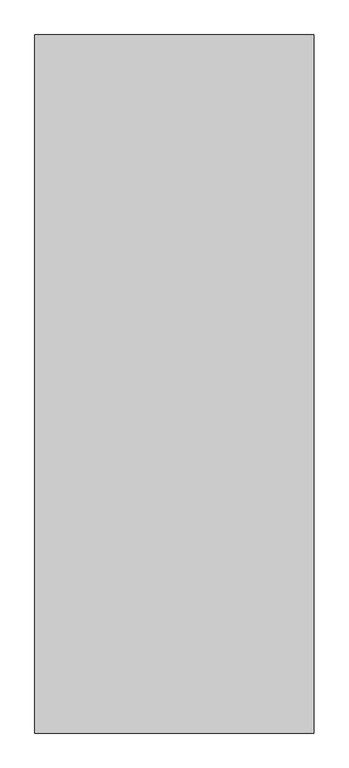
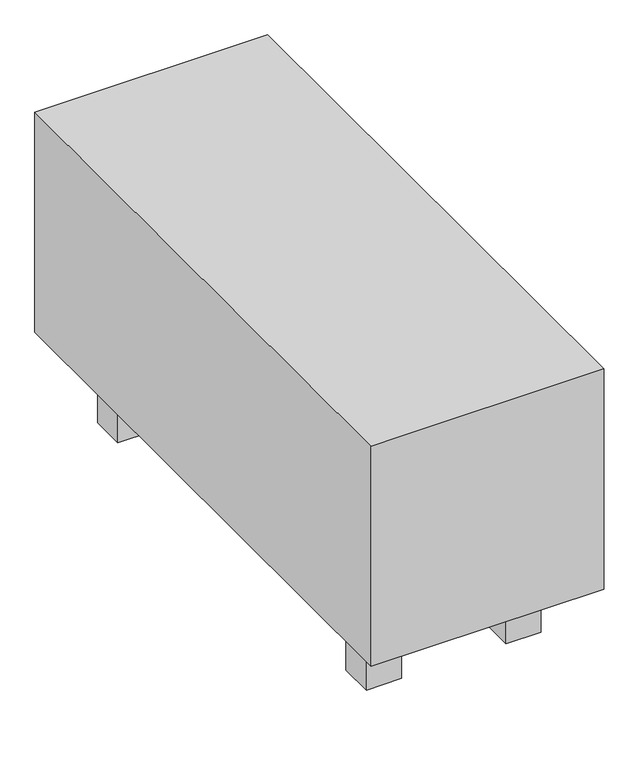
"""IFC4 building model written with IfcOpenShell, lengths in millimetres: proxy geometry."""

from ifc_helpers import new_model, si_unit, frame, origin, place, context, project, spatial, polyline, outline, extrude, source, transform, mapped, element, save


def mechanical_equipment_a851a3ab(model_context):
    return source(origin(), model_context, "Body", "SweptSolid", [
        extrude(outline(polyline([(13796.3955952, -35702.6148653), (13796.3955952, -35642.6148653), (13856.3955952, -35642.6148653), (13856.3955952, -35702.6148653), (13796.3955952, -35702.6148653)])), frame((0.0, 0.0, -165.9981047), z_axis=(0.0, 0.0, 1.0), x_axis=(1.0, 0.0, 0.0)), (0.0, 0.0, 1.0), 120.9981047),
        extrude(outline(polyline([(13616.3955952, -35702.6148653), (13556.3955952, -35702.6148653), (13556.3955952, -35642.6148653), (13616.3955952, -35642.6148653), (13616.3955952, -35702.6148653)])), frame((0.0, 0.0, -165.9981047), z_axis=(0.0, 0.0, 1.0), x_axis=(1.0, 0.0, 0.0)), (0.0, 0.0, 1.0), 120.9981047),
        extrude(outline(polyline([(13796.3955952, -34902.6148653), (13856.3955952, -34902.6148653), (13856.3955952, -34962.6148653), (13796.3955952, -34962.6148653), (13796.3955952, -34902.6148653)])), frame((0.0, 0.0, -165.9981047), z_axis=(0.0, 0.0, 1.0), x_axis=(1.0, 0.0, 0.0)), (0.0, 0.0, 1.0), 120.9981047),
        extrude(outline(polyline([(13616.3955952, -34902.6148653), (13616.3955952, -34962.6148653), (13556.3955952, -34962.6148653), (13556.3955952, -34902.6148653), (13616.3955952, -34902.6148653)])), frame((0.0, 0.0, -165.9981047), z_axis=(0.0, 0.0, 1.0), x_axis=(1.0, 0.0, 0.0)), (0.0, 0.0, 1.0), 120.9981047),
        extrude(outline(polyline([(13506.3955952, -34802.6148653), (13906.3955952, -34802.6148653), (13906.3955952, -35802.6148653), (13506.3955952, -35802.6148653), (13506.3955952, -34802.6148653)])), frame((0.0, 0.0, -45.0), z_axis=(0.0, 0.0, 1.0), x_axis=(1.0, 0.0, 0.0)), (0.0, 0.0, 1.0), 400.0),
    ])


if __name__ == "__main__":
    model = new_model("IFC4")
    model_context = context("Model", 3, world=origin())
    ifc_project = project(units=[si_unit("LENGTHUNIT", "METRE", prefix="MILLI")], contexts=[model_context])
    site = spatial("IfcSite", under=ifc_project)
    building = spatial("IfcBuilding", under=site)
    placement = place(None, origin())
    mechanical_equipment_shape = mechanical_equipment_a851a3ab(model_context)
    element("IfcBuildingElementProxy", 1, Name="Mechanical Equipment", at=placement, inside=building, context=model_context, shape_type="MappedRepresentation", body=[
        mapped(mechanical_equipment_shape, transform((0.0, 0.0, 0.0), x_axis=(1.0, 0.0, 0.0), y_axis=(0.0, 1.0, 0.0), z_axis=(0.0, 0.0, 1.0))),
    ])
    save(model, "model.ifc")
